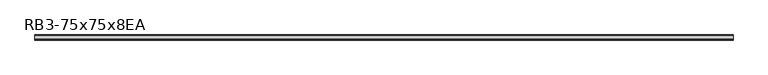
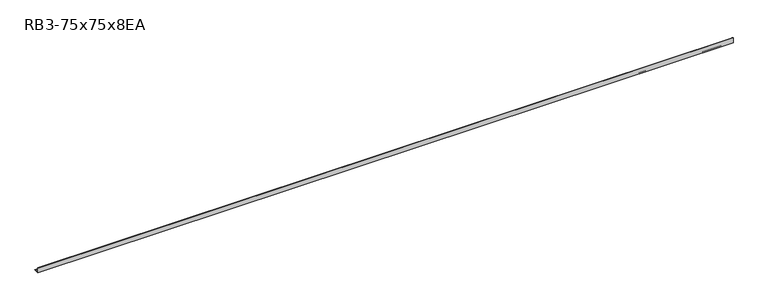
"""IFC4 building model written with IfcOpenShell, lengths in millimetres: member geometry, RB3-75x75x8EA."""

from ifc_helpers import new_model, si_unit, point, frame, frame_2d, origin, place, context, project, spatial, polyline, circle_curve, trimmed, segment, composite_curve, outline, extrude, source, transform, mapped, element, save


def rb3_75x75x8ea_3006a8a5(model_context):
    return source(origin(), model_context, "Body", "SweptSolid", [
        extrude(outline(composite_curve([segment(polyline([(-21.3, -21.3), (-21.3, 53.7), (-18.3, 53.7)]), True, "CONTINUOUS"), segment(trimmed(circle_curve(frame_2d((-18.3, 48.7)), 5.0), [point((-18.3, 53.7))], [point((-13.3, 48.7))], False, "CARTESIAN"), True, "CONTINUOUS"), segment(polyline([(-13.3, 48.7), (-13.3, -5.3)]), True, "CONTINUOUS"), segment(trimmed(circle_curve(frame_2d((-5.3, -5.3)), 8.0), [point((-13.3, -5.3))], [point((-5.3, -13.3))], True, "CARTESIAN"), True, "CONTINUOUS"), segment(polyline([(-5.3, -13.3), (48.7, -13.3)]), True, "CONTINUOUS"), segment(trimmed(circle_curve(frame_2d((48.7, -18.3)), 5.0), [point((48.7, -13.3))], [point((53.7, -18.3))], False, "CARTESIAN"), True, "CONTINUOUS"), segment(polyline([(53.7, -18.3), (53.7, -21.3), (-21.3, -21.3)]), True, "CONTINUOUS")], self_intersect=False)), frame((-5102.0, 0.0, 0.0), z_axis=(1.0, 0.0, 0.0), x_axis=(0.0, 1.0, 0.0)), (0.0, 0.0, 1.0), 10213.0),
    ])


if __name__ == "__main__":
    model = new_model("IFC4")
    model_context = context("Model", 3, world=origin())
    ifc_project = project(units=[si_unit("LENGTHUNIT", "METRE", prefix="MILLI")], contexts=[model_context])
    site = spatial("IfcSite", under=ifc_project)
    building = spatial("IfcBuilding", under=site)
    placement = place(None, origin())
    rb3_75x75x8ea_shape = rb3_75x75x8ea_3006a8a5(model_context)
    element("IfcMember", 1, ObjectType="RB3-75x75x8EA", at=placement, inside=building, context=model_context, shape_type="MappedRepresentation", body=[
        mapped(rb3_75x75x8ea_shape, transform((0.0, 0.0, 0.0), x_axis=(1.0, 0.0, 0.0), y_axis=(0.0, 1.0, 0.0), z_axis=(0.0, 0.0, 1.0))),
    ])
    save(model, "model.ifc")
